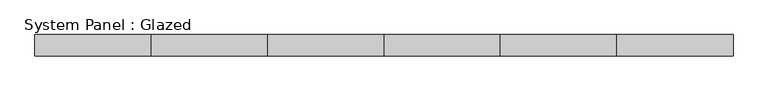
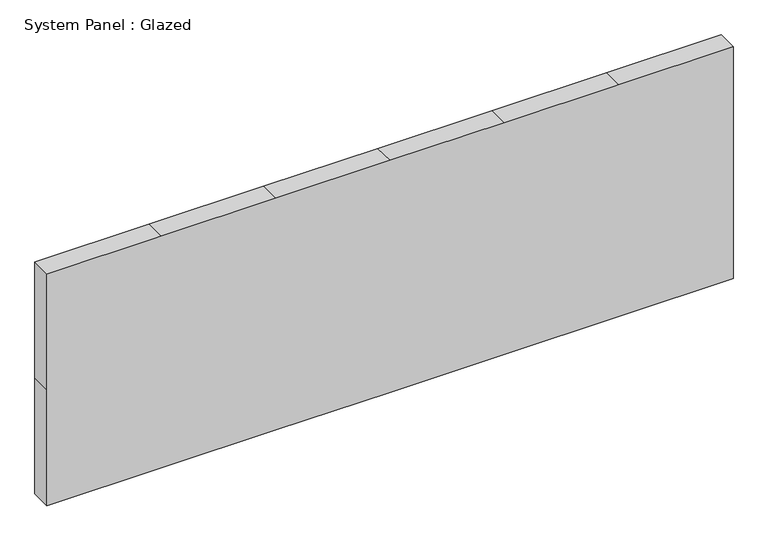
"""IFC4 building model written with IfcOpenShell, lengths in millimetres: plate geometry, System Panel : Glazed."""

import ifcopenshell
import ifcopenshell.guid

model = None  # the IFC model being written
_history = None  # IfcOwnerHistory: only IFC2X3 demands one
_inside = {}  # id of a spatial element -> (the spatial element, [elements in it])
_under = {}  # id of a project, library or spatial element -> (it, [spatial elements below it])
_declared = {}  # id of a project -> (the project, [libraries it declares])
_typed = {}  # id of a type object -> (the type object, [elements of that type])
_made_of = {}  # id of a material, layer set ... -> (it, [elements and type objects made of it])


def new_model(schema):
    """Start an empty IFC model of exactly this schema.

    Asked for "IFC4X3", IfcOpenShell would pick the latest addendum, in which some entities
    have other attributes; the version numbers below select the first issue.
    IFC2X3 requires an IfcOwnerHistory on every rooted entity: one is made here for all.
    """
    global model, _history
    if schema == "IFC4X3":
        model = ifcopenshell.file(schema_version=(4, 3, 0, 0))
    else:
        model = ifcopenshell.file(schema=schema)
    _inside.clear()
    _under.clear()
    _declared.clear()
    _typed.clear()
    _made_of.clear()
    _history = None
    if model.schema == "IFC2X3":
        org = make("IfcOrganization", Name="unknown")
        user = make(
            "IfcPersonAndOrganization",
            ThePerson=make("IfcPerson", FamilyName="unknown"),
            TheOrganization=org,
        )
        app = make(
            "IfcApplication",
            ApplicationDeveloper=org,
            Version="unknown",
            ApplicationFullName="unknown",
            ApplicationIdentifier="unknown",
        )
        _history = make(
            "IfcOwnerHistory",
            OwningUser=user,
            OwningApplication=app,
            ChangeAction="ADDED",
            CreationDate=0,
        )
    return model


def make(cls, **values):
    """One entity of the class cls with the attributes given. An attribute that is None is left unset."""
    return model.create_entity(
        cls, **{name: value for name, value in values.items() if value is not None}
    )


def rooted(cls, **values):
    """An entity with a GlobalId (a new one), such as an element, a storey or a relation."""
    return make(cls, GlobalId=ifcopenshell.guid.new(), OwnerHistory=_history, **values)


def si_unit(unit_type, name, prefix=None):
    """IfcSIUnit, for example si_unit("LENGTHUNIT", "METRE", prefix="MILLI")."""
    return make("IfcSIUnit", UnitType=unit_type, Prefix=prefix, Name=name)


def assignment(units):
    """IfcUnitAssignment: the units of a project."""
    return None if units is None else make("IfcUnitAssignment", Units=units)


def point(xyz):
    """IfcCartesianPoint."""
    return None if xyz is None else make("IfcCartesianPoint", Coordinates=xyz)


def direction(xyz):
    """IfcDirection."""
    return None if xyz is None else make("IfcDirection", DirectionRatios=xyz)


def frame(location, z_axis=None, x_axis=None):
    """IfcAxis2Placement3D, a coordinate frame: its origin and axes. An axis left out is left unset."""
    return make(
        "IfcAxis2Placement3D",
        Location=point(location),
        Axis=direction(z_axis),
        RefDirection=direction(x_axis),
    )


def origin():
    """The frame at (0, 0, 0) with its axes left unset."""
    return frame((0.0, 0.0, 0.0))


def place(relative_to, where):
    """IfcLocalPlacement: puts the frame where relative to a parent placement (None: the world)."""
    return make(
        "IfcLocalPlacement", PlacementRelTo=relative_to, RelativePlacement=where
    )


def context(
    kind, dimensions, precision=None, world=None, true_north=None, identifier=None
):
    """IfcGeometricRepresentationContext, for example the 3D "Model" context."""
    return make(
        "IfcGeometricRepresentationContext",
        ContextIdentifier=identifier,
        ContextType=kind,
        CoordinateSpaceDimension=dimensions,
        Precision=precision,
        WorldCoordinateSystem=world,
        TrueNorth=true_north,
    )


def project(units=None, contexts=None):
    """IfcProject with its units and contexts."""
    return rooted(
        "IfcProject",
        Name="project",
        RepresentationContexts=contexts,
        UnitsInContext=assignment(units),
    )


def spatial(cls, under=None, at=None, **own):
    """A site, building, storey or space (cls), placed at a placement, below another one or the project."""
    s = rooted(cls, ObjectPlacement=at, **own)
    if under is not None:
        _under.setdefault(under.id(), (under, []))[1].append(s)
    return s


def polyline(points):
    """IfcPolyline through the points."""
    return make("IfcPolyline", Points=[point(p) for p in points])


def outline(outer, holes=None, kind="AREA"):
    """IfcArbitraryClosedProfileDef: a profile drawn as a closed curve; with holes, ...WithVoids."""
    if holes is None:
        return make("IfcArbitraryClosedProfileDef", ProfileType=kind, OuterCurve=outer)
    return make(
        "IfcArbitraryProfileDefWithVoids",
        ProfileType=kind,
        OuterCurve=outer,
        InnerCurves=holes,
    )


def extrude(swept, where, along, depth):
    """IfcExtrudedAreaSolid: the profile swept, set in the frame where, extruded along a direction by depth."""
    return make(
        "IfcExtrudedAreaSolid",
        SweptArea=swept,
        Position=where,
        ExtrudedDirection=direction(along),
        Depth=depth,
    )


def shape(context_of_items, identifier, shape_type, items):
    """IfcShapeRepresentation: the items that make up one representation, for example the "Body"."""
    return make(
        "IfcShapeRepresentation",
        ContextOfItems=context_of_items,
        RepresentationIdentifier=identifier,
        RepresentationType=shape_type,
        Items=items,
    )


def source(mapping_origin, context_of_items, identifier, shape_type, items):
    """IfcRepresentationMap: a shape defined once, which mapped items show again and again."""
    return make(
        "IfcRepresentationMap",
        MappingOrigin=mapping_origin,
        MappedRepresentation=shape(context_of_items, identifier, shape_type, items),
    )


def transform(
    local_origin,
    x_axis=None,
    y_axis=None,
    z_axis=None,
    scale=None,
    scale2=None,
    scale3=None,
    uniform=True,
):
    """IfcCartesianTransformationOperator3D, or its non-uniform kind. x_axis, y_axis, z_axis: its Axis1, 2, 3."""
    if uniform:
        return make(
            "IfcCartesianTransformationOperator3D",
            Axis1=direction(x_axis),
            Axis2=direction(y_axis),
            LocalOrigin=point(local_origin),
            Scale=scale,
            Axis3=direction(z_axis),
        )
    return make(
        "IfcCartesianTransformationOperator3DnonUniform",
        Axis1=direction(x_axis),
        Axis2=direction(y_axis),
        LocalOrigin=point(local_origin),
        Scale=scale,
        Axis3=direction(z_axis),
        Scale2=scale2,
        Scale3=scale3,
    )


def mapped(mapping_source, mapping_target):
    """IfcMappedItem: shows the shape of a source again, moved by a transform."""
    return make(
        "IfcMappedItem", MappingSource=mapping_source, MappingTarget=mapping_target
    )


def made_of(thing, what):
    """Note that an element or type object is made of a material, layer set ...; save() writes the relation."""
    if what is not None:
        _made_of.setdefault(what.id(), (what, []))[1].append(thing)
    return thing


def element(
    cls,
    number,
    at=None,
    inside=None,
    cuts=None,
    type_object=None,
    material=None,
    context=None,
    identifier="Body",
    shape_type=None,
    held_by="IfcProductDefinitionShape",
    body=None,
    shapes=None,
    **own,
):
    """One element of the class cls, such as IfcWall. Its Tag is "e" and its number.

    at: its placement. inside: the storey or other place that contains it. cuts: it is an
    opening in that element (IfcRelVoidsElement). A single representation is given by context,
    identifier, shape_type and body (its items); several are given by shapes. held_by: the class
    of the entity that holds the representations. save() writes the other relations.
    """
    e = rooted(cls, Tag="e%d" % number, ObjectPlacement=at, **own)
    if body is not None:
        shapes = [shape(context, identifier, shape_type, body)]
    if shapes is not None:
        e.Representation = make(held_by, Representations=shapes)
    if inside is not None:
        _inside.setdefault(inside.id(), (inside, []))[1].append(e)
    if cuts is not None:
        rooted(
            "IfcRelVoidsElement", RelatingBuildingElement=cuts, RelatedOpeningElement=e
        )
    if type_object is not None:
        _typed.setdefault(type_object.id(), (type_object, []))[1].append(e)
    return made_of(e, material)


def aggregate(whole, parts):
    """IfcRelAggregates: a whole, such as a stair, and the parts it consists of."""
    return rooted("IfcRelAggregates", RelatingObject=whole, RelatedObjects=parts)


def save(model, path):
    """Write the relations noted so far, then the file.

    IfcRelAggregates (storeys below a building ...), IfcRelContainedInSpatialStructure (elements
    in a storey), IfcRelDefinesByType, IfcRelAssociatesMaterial and IfcRelDeclares: one each for
    every whole, place, type object, material and project.
    """
    for whole, parts in _under.values():
        aggregate(whole, parts)
    for where, things in _inside.values():
        rooted(
            "IfcRelContainedInSpatialStructure",
            RelatedElements=things,
            RelatingStructure=where,
        )
    for kind, things in _typed.values():
        rooted("IfcRelDefinesByType", RelatedObjects=things, RelatingType=kind)
    for what, things in _made_of.values():
        rooted("IfcRelAssociatesMaterial", RelatedObjects=things, RelatingMaterial=what)
    for by, libraries in _declared.values():
        rooted("IfcRelDeclares", RelatingContext=by, RelatedDefinitions=libraries)
    model.write(path)


def system_panel_glazed_b87b4677(model_context):
    return source(origin(), model_context, "Body", "SweptSolid", [
        extrude(outline(polyline([(0.0, -1650.0), (0.0, -1100.0), (0.0, -550.0), (0.0, 0.0), (0.0, 550.0), (0.0, 1100.0), (0.0, 1650.0), (590.0, 1650.0), (1180.0, 1650.0), (1180.0, 1100.0), (1180.0, 550.0), (1180.0, 0.0), (1180.0, -550.0), (1180.0, -1100.0), (1180.0, -1650.0), (590.0, -1650.0), (0.0, -1650.0)])), frame((0.0, 50.0, 0.0), z_axis=(0.0, 1.0, 0.0), x_axis=(0.0, 0.0, 1.0)), (0.0, 0.0, 1.0), 100.0),
    ])


if __name__ == "__main__":
    model = new_model("IFC4")
    model_context = context("Model", 3, world=origin())
    ifc_project = project(units=[si_unit("LENGTHUNIT", "METRE", prefix="MILLI")], contexts=[model_context])
    site = spatial("IfcSite", under=ifc_project)
    building = spatial("IfcBuilding", under=site)
    placement = place(None, origin())
    system_panel_glazed_shape = system_panel_glazed_b87b4677(model_context)
    element("IfcPlate", 1, ObjectType="System Panel : Glazed", at=placement, inside=building, context=model_context, shape_type="MappedRepresentation", body=[
        mapped(system_panel_glazed_shape, transform((0.0, 0.0, 0.0), x_axis=(1.0, 0.0, 0.0), y_axis=(0.0, 1.0, 0.0), z_axis=(0.0, 0.0, 1.0))),
    ])
    save(model, "model.ifc")
